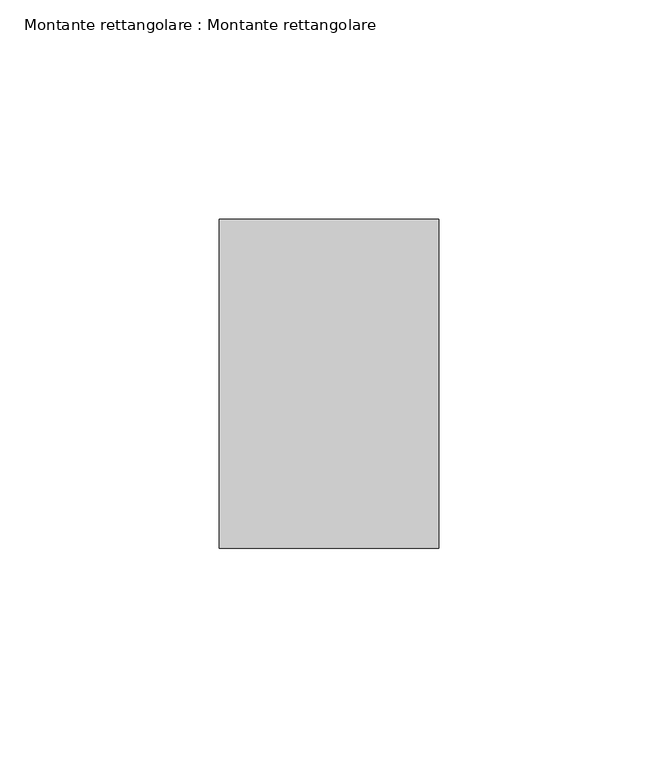
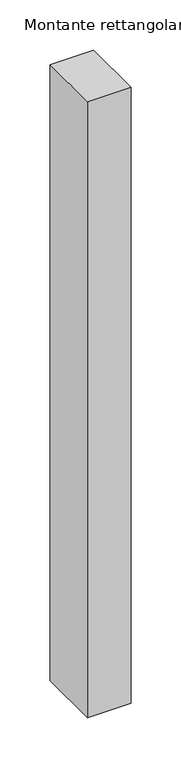
"""IFC4 building model written with IfcOpenShell, lengths in millimetres: member geometry, Montante rettangolare : Montante rettangolare."""

from ifc_helpers import new_model, si_unit, frame, origin, place, context, project, spatial, polyline, outline, extrude, source, transform, mapped, element, save


def montante_rettangolare_montante_rettangolare_bcbd968b(model_context):
    return source(origin(), model_context, "Body", "SweptSolid", [
        extrude(outline(polyline([(25.0, 37.5), (25.0, -37.5), (-25.0, -37.5), (-25.0, 37.5), (25.0, 37.5)])), frame((0.0, 0.0, -750.0), z_axis=(0.0, 0.0, 1.0), x_axis=(1.0, 0.0, 0.0)), (0.0, 0.0, 1.0), 750.0),
    ])


if __name__ == "__main__":
    model = new_model("IFC4")
    model_context = context("Model", 3, world=origin())
    ifc_project = project(units=[si_unit("LENGTHUNIT", "METRE", prefix="MILLI")], contexts=[model_context])
    site = spatial("IfcSite", under=ifc_project)
    building = spatial("IfcBuilding", under=site)
    placement = place(None, origin())
    montante_rettangolare_montante_rettangolare_shape = montante_rettangolare_montante_rettangolare_bcbd968b(model_context)
    element("IfcMember", 1, ObjectType="Montante rettangolare : Montante rettangolare", at=placement, inside=building, context=model_context, shape_type="MappedRepresentation", body=[
        mapped(montante_rettangolare_montante_rettangolare_shape, transform((0.0, 0.0, 0.0), x_axis=(1.0, 0.0, 0.0), y_axis=(0.0, 1.0, 0.0), z_axis=(0.0, 0.0, 1.0))),
    ])
    save(model, "model.ifc")
